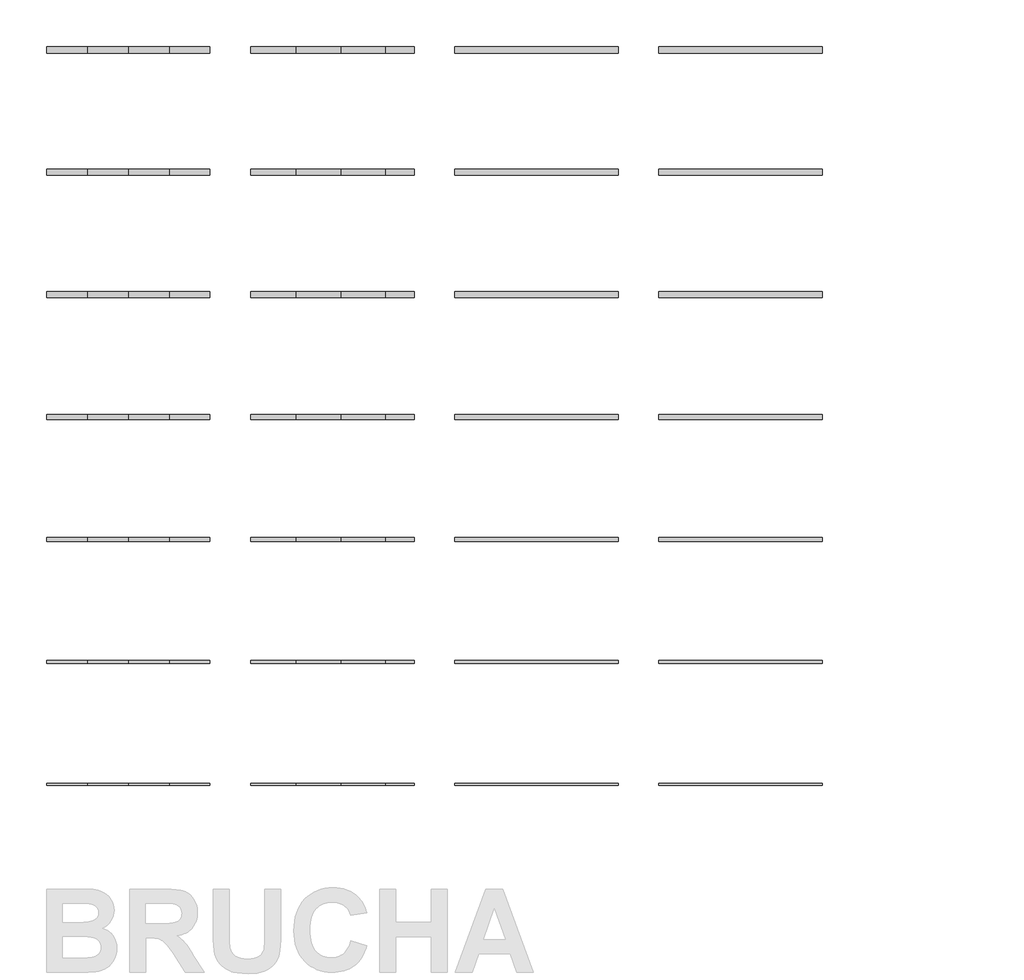
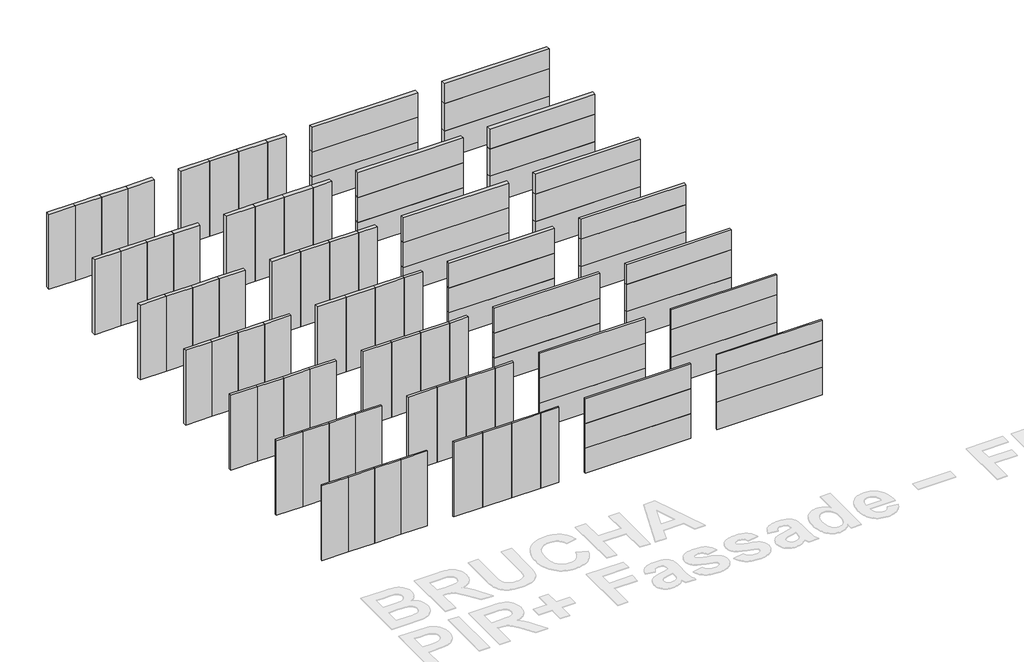
# Not in any storey, part 1 of 2: 98 plates.
"""IFC4 building model written with IfcOpenShell, lengths in millimetres."""

from ifc_helpers import new_model, si_unit, frame, origin, origin_with_axes, place, context, project, spatial, polyline, outline, extrude, element, save

model = new_model("IFC4")

# Units and contexts
model_context = context("Model", 3, world=origin())
ifc_project = project(units=[si_unit("LENGTHUNIT", "METRE", prefix="MILLI")], contexts=[model_context])

# Site, building
site = spatial("IfcSite", under=ifc_project)
building = spatial("IfcBuilding", under=site)

# Plates
placement = place(None, origin())
element("IfcPlate", 1, ObjectType="FP 100", at=placement, inside=building, context=model_context, shape_type="SweptSolid", body=[
    extrude(outline(polyline([(1000.0000003, 6000.0), (0.0, 6000.0), (0.0, 6100.0), (1000.0000003, 6100.0), (1000.0000003, 6000.0)])), origin_with_axes(), (0.0, 0.0, 1.0), 3000.0),
])
element("IfcPlate", 2, ObjectType="FP 100", at=placement, inside=building, context=model_context, shape_type="SweptSolid", body=[
    extrude(outline(polyline([(2000.0000003, 6000.0), (1000.0000003, 6000.0), (1000.0000003, 6100.0), (2000.0000003, 6100.0), (2000.0000003, 6000.0)])), origin_with_axes(), (0.0, 0.0, 1.0), 3000.0),
])
element("IfcPlate", 3, ObjectType="FP 100", at=placement, inside=building, context=model_context, shape_type="SweptSolid", body=[
    extrude(outline(polyline([(3000.0000003, 6000.0), (2000.0000003, 6000.0), (2000.0000003, 6100.0), (3000.0000003, 6100.0), (3000.0000003, 6000.0)])), origin_with_axes(), (0.0, 0.0, 1.0), 3000.0),
])
element("IfcPlate", 4, ObjectType="FP 100", at=placement, inside=building, context=model_context, shape_type="SweptSolid", body=[
    extrude(outline(polyline([(4000.0, 6000.0), (3000.0000003, 6000.0), (3000.0000003, 6100.0), (4000.0, 6100.0), (4000.0, 6000.0)])), origin_with_axes(), (0.0, 0.0, 1.0), 3000.0),
])
element("IfcPlate", 5, ObjectType="FP 100", at=placement, inside=building, context=model_context, shape_type="SweptSolid", body=[
    extrude(outline(polyline([(14000.0, 6000.0), (10000.0, 6000.0), (10000.0, 6100.0), (14000.0, 6100.0), (14000.0, 6000.0)])), origin_with_axes(), (0.0, 0.0, 1.0), 1000.0),
])
element("IfcPlate", 6, ObjectType="FP 100", at=placement, inside=building, context=model_context, shape_type="SweptSolid", body=[
    extrude(outline(polyline([(14000.0, 6000.0), (10000.0, 6000.0), (10000.0, 6100.0), (14000.0, 6100.0), (14000.0, 6000.0)])), frame((0.0, 0.0, 1000.0), z_axis=(0.0, 0.0, 1.0), x_axis=(1.0, 0.0, 0.0)), (0.0, 0.0, 1.0), 1000.0),
])
element("IfcPlate", 7, ObjectType="FP 100", at=placement, inside=building, context=model_context, shape_type="SweptSolid", body=[
    extrude(outline(polyline([(14000.0, 6000.0), (10000.0, 6000.0), (10000.0, 6100.0), (14000.0, 6100.0), (14000.0, 6000.0)])), frame((0.0, 0.0, 2000.0), z_axis=(0.0, 0.0, 1.0), x_axis=(1.0, 0.0, 0.0)), (0.0, 0.0, 1.0), 1000.0),
])
element("IfcPlate", 8, ObjectType="FP 100", at=placement, inside=building, context=model_context, shape_type="SweptSolid", body=[
    extrude(outline(polyline([(6100.0000003, 6000.0), (5000.0, 6000.0), (5000.0, 6100.0), (6100.0000003, 6100.0), (6100.0000003, 6000.0)])), origin_with_axes(), (0.0, 0.0, 1.0), 3000.0),
])
element("IfcPlate", 9, ObjectType="FP 100", at=placement, inside=building, context=model_context, shape_type="SweptSolid", body=[
    extrude(outline(polyline([(7200.0000003, 6000.0), (6100.0000003, 6000.0), (6100.0000003, 6100.0), (7200.0000003, 6100.0), (7200.0000003, 6000.0)])), origin_with_axes(), (0.0, 0.0, 1.0), 3000.0),
])
element("IfcPlate", 10, ObjectType="FP 100", at=placement, inside=building, context=model_context, shape_type="SweptSolid", body=[
    extrude(outline(polyline([(8300.0000003, 6000.0), (7200.0000003, 6000.0), (7200.0000003, 6100.0), (8300.0000003, 6100.0), (8300.0000003, 6000.0)])), origin_with_axes(), (0.0, 0.0, 1.0), 3000.0),
])
element("IfcPlate", 11, ObjectType="FP 100", at=placement, inside=building, context=model_context, shape_type="SweptSolid", body=[
    extrude(outline(polyline([(9000.0, 6000.0), (8300.0000003, 6000.0), (8300.0000003, 6100.0), (9000.0, 6100.0), (9000.0, 6000.0)])), origin_with_axes(), (0.0, 0.0, 1.0), 3000.0),
])
element("IfcPlate", 12, ObjectType="FP 100", at=placement, inside=building, context=model_context, shape_type="SweptSolid", body=[
    extrude(outline(polyline([(19000.0, 6000.0), (15000.0, 6000.0), (15000.0, 6100.0), (19000.0, 6100.0), (19000.0, 6000.0)])), origin_with_axes(), (0.0, 0.0, 1.0), 1100.0),
])
element("IfcPlate", 13, ObjectType="FP 100", at=placement, inside=building, context=model_context, shape_type="SweptSolid", body=[
    extrude(outline(polyline([(19000.0, 6000.0), (15000.0, 6000.0), (15000.0, 6100.0), (19000.0, 6100.0), (19000.0, 6000.0)])), frame((0.0, 0.0, 1100.0), z_axis=(0.0, 0.0, 1.0), x_axis=(1.0, 0.0, 0.0)), (0.0, 0.0, 1.0), 1100.0),
])
element("IfcPlate", 14, ObjectType="FP 100", at=placement, inside=building, context=model_context, shape_type="SweptSolid", body=[
    extrude(outline(polyline([(19000.0, 6000.0), (15000.0, 6000.0), (15000.0, 6100.0), (19000.0, 6100.0), (19000.0, 6000.0)])), frame((0.0, 0.0, 2200.0), z_axis=(0.0, 0.0, 1.0), x_axis=(1.0, 0.0, 0.0)), (0.0, 0.0, 1.0), 800.0),
])
element("IfcPlate", 15, ObjectType="FP 120", at=placement, inside=building, context=model_context, shape_type="SweptSolid", body=[
    extrude(outline(polyline([(1000.0000003, 8990.0), (0.0, 8990.0), (0.0, 9110.0), (1000.0000003, 9110.0), (1000.0000003, 8990.0)])), origin_with_axes(), (0.0, 0.0, 1.0), 3000.0),
])
element("IfcPlate", 16, ObjectType="FP 120", at=placement, inside=building, context=model_context, shape_type="SweptSolid", body=[
    extrude(outline(polyline([(2000.0000003, 8990.0), (1000.0000003, 8990.0), (1000.0000003, 9110.0), (2000.0000003, 9110.0), (2000.0000003, 8990.0)])), origin_with_axes(), (0.0, 0.0, 1.0), 3000.0),
])
element("IfcPlate", 17, ObjectType="FP 120", at=placement, inside=building, context=model_context, shape_type="SweptSolid", body=[
    extrude(outline(polyline([(3000.0000003, 8990.0), (2000.0000003, 8990.0), (2000.0000003, 9110.0), (3000.0000003, 9110.0), (3000.0000003, 8990.0)])), origin_with_axes(), (0.0, 0.0, 1.0), 3000.0),
])
element("IfcPlate", 18, ObjectType="FP 120", at=placement, inside=building, context=model_context, shape_type="SweptSolid", body=[
    extrude(outline(polyline([(4000.0, 8990.0), (3000.0000003, 8990.0), (3000.0000003, 9110.0), (4000.0, 9110.0), (4000.0, 8990.0)])), origin_with_axes(), (0.0, 0.0, 1.0), 3000.0),
])
element("IfcPlate", 19, ObjectType="FP 120", at=placement, inside=building, context=model_context, shape_type="SweptSolid", body=[
    extrude(outline(polyline([(6100.0000003, 8990.0), (5000.0, 8990.0), (5000.0, 9110.0), (6100.0000003, 9110.0), (6100.0000003, 8990.0)])), origin_with_axes(), (0.0, 0.0, 1.0), 3000.0),
])
element("IfcPlate", 20, ObjectType="FP 120", at=placement, inside=building, context=model_context, shape_type="SweptSolid", body=[
    extrude(outline(polyline([(7200.0000003, 8990.0), (6100.0000003, 8990.0), (6100.0000003, 9110.0), (7200.0000003, 9110.0), (7200.0000003, 8990.0)])), origin_with_axes(), (0.0, 0.0, 1.0), 3000.0),
])
element("IfcPlate", 21, ObjectType="FP 120", at=placement, inside=building, context=model_context, shape_type="SweptSolid", body=[
    extrude(outline(polyline([(8300.0000003, 8990.0), (7200.0000003, 8990.0), (7200.0000003, 9110.0), (8300.0000003, 9110.0), (8300.0000003, 8990.0)])), origin_with_axes(), (0.0, 0.0, 1.0), 3000.0),
])
element("IfcPlate", 22, ObjectType="FP 120", at=placement, inside=building, context=model_context, shape_type="SweptSolid", body=[
    extrude(outline(polyline([(9000.0, 8990.0), (8300.0000003, 8990.0), (8300.0000003, 9110.0), (9000.0, 9110.0), (9000.0, 8990.0)])), origin_with_axes(), (0.0, 0.0, 1.0), 3000.0),
])
element("IfcPlate", 23, ObjectType="FP 120", at=placement, inside=building, context=model_context, shape_type="SweptSolid", body=[
    extrude(outline(polyline([(14000.0, 8990.0), (10000.0, 8990.0), (10000.0, 9110.0), (14000.0, 9110.0), (14000.0, 8990.0)])), origin_with_axes(), (0.0, 0.0, 1.0), 1000.0),
])
element("IfcPlate", 24, ObjectType="FP 120", at=placement, inside=building, context=model_context, shape_type="SweptSolid", body=[
    extrude(outline(polyline([(14000.0, 8990.0), (10000.0, 8990.0), (10000.0, 9110.0), (14000.0, 9110.0), (14000.0, 8990.0)])), frame((0.0, 0.0, 1000.0), z_axis=(0.0, 0.0, 1.0), x_axis=(1.0, 0.0, 0.0)), (0.0, 0.0, 1.0), 1000.0),
])
element("IfcPlate", 25, ObjectType="FP 120", at=placement, inside=building, context=model_context, shape_type="SweptSolid", body=[
    extrude(outline(polyline([(14000.0, 8990.0), (10000.0, 8990.0), (10000.0, 9110.0), (14000.0, 9110.0), (14000.0, 8990.0)])), frame((0.0, 0.0, 2000.0), z_axis=(0.0, 0.0, 1.0), x_axis=(1.0, 0.0, 0.0)), (0.0, 0.0, 1.0), 1000.0),
])
element("IfcPlate", 26, ObjectType="FP 120", at=placement, inside=building, context=model_context, shape_type="SweptSolid", body=[
    extrude(outline(polyline([(19000.0, 8990.0), (15000.0, 8990.0), (15000.0, 9110.0), (19000.0, 9110.0), (19000.0, 8990.0)])), origin_with_axes(), (0.0, 0.0, 1.0), 1100.0),
])
element("IfcPlate", 27, ObjectType="FP 120", at=placement, inside=building, context=model_context, shape_type="SweptSolid", body=[
    extrude(outline(polyline([(19000.0, 8990.0), (15000.0, 8990.0), (15000.0, 9110.0), (19000.0, 9110.0), (19000.0, 8990.0)])), frame((0.0, 0.0, 1100.0), z_axis=(0.0, 0.0, 1.0), x_axis=(1.0, 0.0, 0.0)), (0.0, 0.0, 1.0), 1100.0),
])
element("IfcPlate", 28, ObjectType="FP 120", at=placement, inside=building, context=model_context, shape_type="SweptSolid", body=[
    extrude(outline(polyline([(19000.0, 8990.0), (15000.0, 8990.0), (15000.0, 9110.0), (19000.0, 9110.0), (19000.0, 8990.0)])), frame((0.0, 0.0, 2200.0), z_axis=(0.0, 0.0, 1.0), x_axis=(1.0, 0.0, 0.0)), (0.0, 0.0, 1.0), 800.0),
])
element("IfcPlate", 29, ObjectType="FP 140", at=placement, inside=building, context=model_context, shape_type="SweptSolid", body=[
    extrude(outline(polyline([(1000.0000003, 11980.0), (0.0, 11980.0), (0.0, 12120.0), (1000.0000003, 12120.0), (1000.0000003, 11980.0)])), origin_with_axes(), (0.0, 0.0, 1.0), 3000.0),
])
element("IfcPlate", 30, ObjectType="FP 140", at=placement, inside=building, context=model_context, shape_type="SweptSolid", body=[
    extrude(outline(polyline([(2000.0000003, 11980.0), (1000.0000003, 11980.0), (1000.0000003, 12120.0), (2000.0000003, 12120.0), (2000.0000003, 11980.0)])), origin_with_axes(), (0.0, 0.0, 1.0), 3000.0),
])
element("IfcPlate", 31, ObjectType="FP 140", at=placement, inside=building, context=model_context, shape_type="SweptSolid", body=[
    extrude(outline(polyline([(3000.0000003, 11980.0), (2000.0000003, 11980.0), (2000.0000003, 12120.0), (3000.0000003, 12120.0), (3000.0000003, 11980.0)])), origin_with_axes(), (0.0, 0.0, 1.0), 3000.0),
])
element("IfcPlate", 32, ObjectType="FP 140", at=placement, inside=building, context=model_context, shape_type="SweptSolid", body=[
    extrude(outline(polyline([(4000.0, 11980.0), (3000.0000003, 11980.0), (3000.0000003, 12120.0), (4000.0, 12120.0), (4000.0, 11980.0)])), origin_with_axes(), (0.0, 0.0, 1.0), 3000.0),
])
element("IfcPlate", 33, ObjectType="FP 140", at=placement, inside=building, context=model_context, shape_type="SweptSolid", body=[
    extrude(outline(polyline([(6100.0000003, 11980.0), (5000.0, 11980.0), (5000.0, 12120.0), (6100.0000003, 12120.0), (6100.0000003, 11980.0)])), origin_with_axes(), (0.0, 0.0, 1.0), 3000.0),
])
element("IfcPlate", 34, ObjectType="FP 140", at=placement, inside=building, context=model_context, shape_type="SweptSolid", body=[
    extrude(outline(polyline([(7200.0000003, 11980.0), (6100.0000003, 11980.0), (6100.0000003, 12120.0), (7200.0000003, 12120.0), (7200.0000003, 11980.0)])), origin_with_axes(), (0.0, 0.0, 1.0), 3000.0),
])
element("IfcPlate", 35, ObjectType="FP 140", at=placement, inside=building, context=model_context, shape_type="SweptSolid", body=[
    extrude(outline(polyline([(8300.0000003, 11980.0), (7200.0000003, 11980.0), (7200.0000003, 12120.0), (8300.0000003, 12120.0), (8300.0000003, 11980.0)])), origin_with_axes(), (0.0, 0.0, 1.0), 3000.0),
])
element("IfcPlate", 36, ObjectType="FP 140", at=placement, inside=building, context=model_context, shape_type="SweptSolid", body=[
    extrude(outline(polyline([(9000.0, 11980.0), (8300.0000003, 11980.0), (8300.0000003, 12120.0), (9000.0, 12120.0), (9000.0, 11980.0)])), origin_with_axes(), (0.0, 0.0, 1.0), 3000.0),
])
element("IfcPlate", 37, ObjectType="FP 140", at=placement, inside=building, context=model_context, shape_type="SweptSolid", body=[
    extrude(outline(polyline([(14000.0, 11980.0), (10000.0, 11980.0), (10000.0, 12120.0), (14000.0, 12120.0), (14000.0, 11980.0)])), origin_with_axes(), (0.0, 0.0, 1.0), 1000.0),
])
element("IfcPlate", 38, ObjectType="FP 140", at=placement, inside=building, context=model_context, shape_type="SweptSolid", body=[
    extrude(outline(polyline([(14000.0, 11980.0), (10000.0, 11980.0), (10000.0, 12120.0), (14000.0, 12120.0), (14000.0, 11980.0)])), frame((0.0, 0.0, 1000.0), z_axis=(0.0, 0.0, 1.0), x_axis=(1.0, 0.0, 0.0)), (0.0, 0.0, 1.0), 1000.0),
])
element("IfcPlate", 39, ObjectType="FP 140", at=placement, inside=building, context=model_context, shape_type="SweptSolid", body=[
    extrude(outline(polyline([(14000.0, 11980.0), (10000.0, 11980.0), (10000.0, 12120.0), (14000.0, 12120.0), (14000.0, 11980.0)])), frame((0.0, 0.0, 2000.0), z_axis=(0.0, 0.0, 1.0), x_axis=(1.0, 0.0, 0.0)), (0.0, 0.0, 1.0), 1000.0),
])
element("IfcPlate", 40, ObjectType="FP 140", at=placement, inside=building, context=model_context, shape_type="SweptSolid", body=[
    extrude(outline(polyline([(19000.0, 11980.0), (15000.0, 11980.0), (15000.0, 12120.0), (19000.0, 12120.0), (19000.0, 11980.0)])), origin_with_axes(), (0.0, 0.0, 1.0), 1100.0),
])
element("IfcPlate", 41, ObjectType="FP 140", at=placement, inside=building, context=model_context, shape_type="SweptSolid", body=[
    extrude(outline(polyline([(19000.0, 11980.0), (15000.0, 11980.0), (15000.0, 12120.0), (19000.0, 12120.0), (19000.0, 11980.0)])), frame((0.0, 0.0, 1100.0), z_axis=(0.0, 0.0, 1.0), x_axis=(1.0, 0.0, 0.0)), (0.0, 0.0, 1.0), 1100.0),
])
element("IfcPlate", 42, ObjectType="FP 140", at=placement, inside=building, context=model_context, shape_type="SweptSolid", body=[
    extrude(outline(polyline([(19000.0, 11980.0), (15000.0, 11980.0), (15000.0, 12120.0), (19000.0, 12120.0), (19000.0, 11980.0)])), frame((0.0, 0.0, 2200.0), z_axis=(0.0, 0.0, 1.0), x_axis=(1.0, 0.0, 0.0)), (0.0, 0.0, 1.0), 800.0),
])
element("IfcPlate", 43, ObjectType="FP 150", at=placement, inside=building, context=model_context, shape_type="SweptSolid", body=[
    extrude(outline(polyline([(1000.0000003, 14975.0), (0.0, 14975.0), (0.0, 15125.0), (1000.0000003, 15125.0), (1000.0000003, 14975.0)])), origin_with_axes(), (0.0, 0.0, 1.0), 3000.0),
])
element("IfcPlate", 44, ObjectType="FP 150", at=placement, inside=building, context=model_context, shape_type="SweptSolid", body=[
    extrude(outline(polyline([(2000.0000003, 14975.0), (1000.0000003, 14975.0), (1000.0000003, 15125.0), (2000.0000003, 15125.0), (2000.0000003, 14975.0)])), origin_with_axes(), (0.0, 0.0, 1.0), 3000.0),
])
element("IfcPlate", 45, ObjectType="FP 150", at=placement, inside=building, context=model_context, shape_type="SweptSolid", body=[
    extrude(outline(polyline([(3000.0000003, 14975.0), (2000.0000003, 14975.0), (2000.0000003, 15125.0), (3000.0000003, 15125.0), (3000.0000003, 14975.0)])), origin_with_axes(), (0.0, 0.0, 1.0), 3000.0),
])
element("IfcPlate", 46, ObjectType="FP 150", at=placement, inside=building, context=model_context, shape_type="SweptSolid", body=[
    extrude(outline(polyline([(4000.0, 14975.0), (3000.0000003, 14975.0), (3000.0000003, 15125.0), (4000.0, 15125.0), (4000.0, 14975.0)])), origin_with_axes(), (0.0, 0.0, 1.0), 3000.0),
])
element("IfcPlate", 47, ObjectType="FP 150", at=placement, inside=building, context=model_context, shape_type="SweptSolid", body=[
    extrude(outline(polyline([(6100.0000003, 14975.0), (5000.0, 14975.0), (5000.0, 15125.0), (6100.0000003, 15125.0), (6100.0000003, 14975.0)])), origin_with_axes(), (0.0, 0.0, 1.0), 3000.0),
])
element("IfcPlate", 48, ObjectType="FP 150", at=placement, inside=building, context=model_context, shape_type="SweptSolid", body=[
    extrude(outline(polyline([(7200.0000003, 14975.0), (6100.0000003, 14975.0), (6100.0000003, 15125.0), (7200.0000003, 15125.0), (7200.0000003, 14975.0)])), origin_with_axes(), (0.0, 0.0, 1.0), 3000.0),
])
element("IfcPlate", 49, ObjectType="FP 150", at=placement, inside=building, context=model_context, shape_type="SweptSolid", body=[
    extrude(outline(polyline([(8300.0000003, 14975.0), (7200.0000003, 14975.0), (7200.0000003, 15125.0), (8300.0000003, 15125.0), (8300.0000003, 14975.0)])), origin_with_axes(), (0.0, 0.0, 1.0), 3000.0),
])
element("IfcPlate", 50, ObjectType="FP 150", at=placement, inside=building, context=model_context, shape_type="SweptSolid", body=[
    extrude(outline(polyline([(9000.0, 14975.0), (8300.0000003, 14975.0), (8300.0000003, 15125.0), (9000.0, 15125.0), (9000.0, 14975.0)])), origin_with_axes(), (0.0, 0.0, 1.0), 3000.0),
])
element("IfcPlate", 51, ObjectType="FP 150", at=placement, inside=building, context=model_context, shape_type="SweptSolid", body=[
    extrude(outline(polyline([(14000.0, 14975.0), (10000.0, 14975.0), (10000.0, 15125.0), (14000.0, 15125.0), (14000.0, 14975.0)])), origin_with_axes(), (0.0, 0.0, 1.0), 1000.0),
])
element("IfcPlate", 52, ObjectType="FP 150", at=placement, inside=building, context=model_context, shape_type="SweptSolid", body=[
    extrude(outline(polyline([(14000.0, 14975.0), (10000.0, 14975.0), (10000.0, 15125.0), (14000.0, 15125.0), (14000.0, 14975.0)])), frame((0.0, 0.0, 1000.0), z_axis=(0.0, 0.0, 1.0), x_axis=(1.0, 0.0, 0.0)), (0.0, 0.0, 1.0), 1000.0),
])
element("IfcPlate", 53, ObjectType="FP 150", at=placement, inside=building, context=model_context, shape_type="SweptSolid", body=[
    extrude(outline(polyline([(14000.0, 14975.0), (10000.0, 14975.0), (10000.0, 15125.0), (14000.0, 15125.0), (14000.0, 14975.0)])), frame((0.0, 0.0, 2000.0), z_axis=(0.0, 0.0, 1.0), x_axis=(1.0, 0.0, 0.0)), (0.0, 0.0, 1.0), 1000.0),
])
element("IfcPlate", 54, ObjectType="FP 150", at=placement, inside=building, context=model_context, shape_type="SweptSolid", body=[
    extrude(outline(polyline([(19000.0, 14975.0), (15000.0, 14975.0), (15000.0, 15125.0), (19000.0, 15125.0), (19000.0, 14975.0)])), origin_with_axes(), (0.0, 0.0, 1.0), 1100.0),
])
element("IfcPlate", 55, ObjectType="FP 150", at=placement, inside=building, context=model_context, shape_type="SweptSolid", body=[
    extrude(outline(polyline([(19000.0, 14975.0), (15000.0, 14975.0), (15000.0, 15125.0), (19000.0, 15125.0), (19000.0, 14975.0)])), frame((0.0, 0.0, 1100.0), z_axis=(0.0, 0.0, 1.0), x_axis=(1.0, 0.0, 0.0)), (0.0, 0.0, 1.0), 1100.0),
])
element("IfcPlate", 56, ObjectType="FP 150", at=placement, inside=building, context=model_context, shape_type="SweptSolid", body=[
    extrude(outline(polyline([(19000.0, 14975.0), (15000.0, 14975.0), (15000.0, 15125.0), (19000.0, 15125.0), (19000.0, 14975.0)])), frame((0.0, 0.0, 2200.0), z_axis=(0.0, 0.0, 1.0), x_axis=(1.0, 0.0, 0.0)), (0.0, 0.0, 1.0), 800.0),
])
element("IfcPlate", 57, ObjectType="FP 160", at=placement, inside=building, context=model_context, shape_type="SweptSolid", body=[
    extrude(outline(polyline([(1000.0000003, 17970.0), (0.0, 17970.0), (0.0, 18130.0), (1000.0000003, 18130.0), (1000.0000003, 17970.0)])), origin_with_axes(), (0.0, 0.0, 1.0), 3000.0),
])
element("IfcPlate", 58, ObjectType="FP 160", at=placement, inside=building, context=model_context, shape_type="SweptSolid", body=[
    extrude(outline(polyline([(2000.0000003, 17970.0), (1000.0000003, 17970.0), (1000.0000003, 18130.0), (2000.0000003, 18130.0), (2000.0000003, 17970.0)])), origin_with_axes(), (0.0, 0.0, 1.0), 3000.0),
])
element("IfcPlate", 59, ObjectType="FP 160", at=placement, inside=building, context=model_context, shape_type="SweptSolid", body=[
    extrude(outline(polyline([(3000.0000003, 17970.0), (2000.0000003, 17970.0), (2000.0000003, 18130.0), (3000.0000003, 18130.0), (3000.0000003, 17970.0)])), origin_with_axes(), (0.0, 0.0, 1.0), 3000.0),
])
element("IfcPlate", 60, ObjectType="FP 160", at=placement, inside=building, context=model_context, shape_type="SweptSolid", body=[
    extrude(outline(polyline([(4000.0, 17970.0), (3000.0000003, 17970.0), (3000.0000003, 18130.0), (4000.0, 18130.0), (4000.0, 17970.0)])), origin_with_axes(), (0.0, 0.0, 1.0), 3000.0),
])
element("IfcPlate", 61, ObjectType="FP 160", at=placement, inside=building, context=model_context, shape_type="SweptSolid", body=[
    extrude(outline(polyline([(6100.0000003, 17970.0), (5000.0, 17970.0), (5000.0, 18130.0), (6100.0000003, 18130.0), (6100.0000003, 17970.0)])), origin_with_axes(), (0.0, 0.0, 1.0), 3000.0),
])
element("IfcPlate", 62, ObjectType="FP 160", at=placement, inside=building, context=model_context, shape_type="SweptSolid", body=[
    extrude(outline(polyline([(7200.0000003, 17970.0), (6100.0000003, 17970.0), (6100.0000003, 18130.0), (7200.0000003, 18130.0), (7200.0000003, 17970.0)])), origin_with_axes(), (0.0, 0.0, 1.0), 3000.0),
])
element("IfcPlate", 63, ObjectType="FP 160", at=placement, inside=building, context=model_context, shape_type="SweptSolid", body=[
    extrude(outline(polyline([(8300.0000003, 17970.0), (7200.0000003, 17970.0), (7200.0000003, 18130.0), (8300.0000003, 18130.0), (8300.0000003, 17970.0)])), origin_with_axes(), (0.0, 0.0, 1.0), 3000.0),
])
element("IfcPlate", 64, ObjectType="FP 160", at=placement, inside=building, context=model_context, shape_type="SweptSolid", body=[
    extrude(outline(polyline([(9000.0, 17970.0), (8300.0000003, 17970.0), (8300.0000003, 18130.0), (9000.0, 18130.0), (9000.0, 17970.0)])), origin_with_axes(), (0.0, 0.0, 1.0), 3000.0),
])
element("IfcPlate", 65, ObjectType="FP 160", at=placement, inside=building, context=model_context, shape_type="SweptSolid", body=[
    extrude(outline(polyline([(14000.0, 17970.0), (10000.0, 17970.0), (10000.0, 18130.0), (14000.0, 18130.0), (14000.0, 17970.0)])), origin_with_axes(), (0.0, 0.0, 1.0), 1000.0),
])
element("IfcPlate", 66, ObjectType="FP 160", at=placement, inside=building, context=model_context, shape_type="SweptSolid", body=[
    extrude(outline(polyline([(14000.0, 17970.0), (10000.0, 17970.0), (10000.0, 18130.0), (14000.0, 18130.0), (14000.0, 17970.0)])), frame((0.0, 0.0, 1000.0), z_axis=(0.0, 0.0, 1.0), x_axis=(1.0, 0.0, 0.0)), (0.0, 0.0, 1.0), 1000.0),
])
element("IfcPlate", 67, ObjectType="FP 160", at=placement, inside=building, context=model_context, shape_type="SweptSolid", body=[
    extrude(outline(polyline([(14000.0, 17970.0), (10000.0, 17970.0), (10000.0, 18130.0), (14000.0, 18130.0), (14000.0, 17970.0)])), frame((0.0, 0.0, 2000.0), z_axis=(0.0, 0.0, 1.0), x_axis=(1.0, 0.0, 0.0)), (0.0, 0.0, 1.0), 1000.0),
])
element("IfcPlate", 68, ObjectType="FP 160", at=placement, inside=building, context=model_context, shape_type="SweptSolid", body=[
    extrude(outline(polyline([(19000.0, 17970.0), (15000.0, 17970.0), (15000.0, 18130.0), (19000.0, 18130.0), (19000.0, 17970.0)])), origin_with_axes(), (0.0, 0.0, 1.0), 1100.0),
])
element("IfcPlate", 69, ObjectType="FP 160", at=placement, inside=building, context=model_context, shape_type="SweptSolid", body=[
    extrude(outline(polyline([(19000.0, 17970.0), (15000.0, 17970.0), (15000.0, 18130.0), (19000.0, 18130.0), (19000.0, 17970.0)])), frame((0.0, 0.0, 1100.0), z_axis=(0.0, 0.0, 1.0), x_axis=(1.0, 0.0, 0.0)), (0.0, 0.0, 1.0), 1100.0),
])
element("IfcPlate", 70, ObjectType="FP 160", at=placement, inside=building, context=model_context, shape_type="SweptSolid", body=[
    extrude(outline(polyline([(19000.0, 17970.0), (15000.0, 17970.0), (15000.0, 18130.0), (19000.0, 18130.0), (19000.0, 17970.0)])), frame((0.0, 0.0, 2200.0), z_axis=(0.0, 0.0, 1.0), x_axis=(1.0, 0.0, 0.0)), (0.0, 0.0, 1.0), 800.0),
])
element("IfcPlate", 71, ObjectType="FP 60", at=placement, inside=building, context=model_context, shape_type="SweptSolid", body=[
    extrude(outline(polyline([(1000.0000003, 20.0), (0.0, 20.0), (0.0, 80.0), (1000.0000003, 80.0), (1000.0000003, 20.0)])), origin_with_axes(), (0.0, 0.0, 1.0), 3000.0),
])
element("IfcPlate", 72, ObjectType="FP 60", at=placement, inside=building, context=model_context, shape_type="SweptSolid", body=[
    extrude(outline(polyline([(2000.0000003, 20.0), (1000.0000003, 20.0), (1000.0000003, 80.0), (2000.0000003, 80.0), (2000.0000003, 20.0)])), origin_with_axes(), (0.0, 0.0, 1.0), 3000.0),
])
element("IfcPlate", 73, ObjectType="FP 60", at=placement, inside=building, context=model_context, shape_type="SweptSolid", body=[
    extrude(outline(polyline([(3000.0000003, 20.0), (2000.0000003, 20.0), (2000.0000003, 80.0), (3000.0000003, 80.0), (3000.0000003, 20.0)])), origin_with_axes(), (0.0, 0.0, 1.0), 3000.0),
])
element("IfcPlate", 74, ObjectType="FP 60", at=placement, inside=building, context=model_context, shape_type="SweptSolid", body=[
    extrude(outline(polyline([(4000.0, 20.0), (3000.0000003, 20.0), (3000.0000003, 80.0), (4000.0, 80.0), (4000.0, 20.0)])), origin_with_axes(), (0.0, 0.0, 1.0), 3000.0),
])
element("IfcPlate", 75, ObjectType="FP 60", at=placement, inside=building, context=model_context, shape_type="SweptSolid", body=[
    extrude(outline(polyline([(6100.0000003, 20.0), (5000.0, 20.0), (5000.0, 80.0), (6100.0000003, 80.0), (6100.0000003, 20.0)])), origin_with_axes(), (0.0, 0.0, 1.0), 3000.0),
])
element("IfcPlate", 76, ObjectType="FP 60", at=placement, inside=building, context=model_context, shape_type="SweptSolid", body=[
    extrude(outline(polyline([(7200.0000003, 20.0), (6100.0000003, 20.0), (6100.0000003, 80.0), (7200.0000003, 80.0), (7200.0000003, 20.0)])), origin_with_axes(), (0.0, 0.0, 1.0), 3000.0),
])
element("IfcPlate", 77, ObjectType="FP 60", at=placement, inside=building, context=model_context, shape_type="SweptSolid", body=[
    extrude(outline(polyline([(8300.0000003, 20.0), (7200.0000003, 20.0), (7200.0000003, 80.0), (8300.0000003, 80.0), (8300.0000003, 20.0)])), origin_with_axes(), (0.0, 0.0, 1.0), 3000.0),
])
element("IfcPlate", 78, ObjectType="FP 60", at=placement, inside=building, context=model_context, shape_type="SweptSolid", body=[
    extrude(outline(polyline([(9000.0, 20.0), (8300.0000003, 20.0), (8300.0000003, 80.0), (9000.0, 80.0), (9000.0, 20.0)])), origin_with_axes(), (0.0, 0.0, 1.0), 3000.0),
])
element("IfcPlate", 79, ObjectType="FP 60", at=placement, inside=building, context=model_context, shape_type="SweptSolid", body=[
    extrude(outline(polyline([(14000.0, 20.0), (10000.0, 20.0), (10000.0, 80.0), (14000.0, 80.0), (14000.0, 20.0)])), origin_with_axes(), (0.0, 0.0, 1.0), 1000.0),
])
element("IfcPlate", 80, ObjectType="FP 60", at=placement, inside=building, context=model_context, shape_type="SweptSolid", body=[
    extrude(outline(polyline([(14000.0, 20.0), (10000.0, 20.0), (10000.0, 80.0), (14000.0, 80.0), (14000.0, 20.0)])), frame((0.0, 0.0, 1000.0), z_axis=(0.0, 0.0, 1.0), x_axis=(1.0, 0.0, 0.0)), (0.0, 0.0, 1.0), 1000.0),
])
element("IfcPlate", 81, ObjectType="FP 60", at=placement, inside=building, context=model_context, shape_type="SweptSolid", body=[
    extrude(outline(polyline([(14000.0, 20.0), (10000.0, 20.0), (10000.0, 80.0), (14000.0, 80.0), (14000.0, 20.0)])), frame((0.0, 0.0, 2000.0), z_axis=(0.0, 0.0, 1.0), x_axis=(1.0, 0.0, 0.0)), (0.0, 0.0, 1.0), 1000.0),
])
element("IfcPlate", 82, ObjectType="FP 60", at=placement, inside=building, context=model_context, shape_type="SweptSolid", body=[
    extrude(outline(polyline([(19000.0, 20.0), (15000.0, 20.0), (15000.0, 80.0), (19000.0, 80.0), (19000.0, 20.0)])), origin_with_axes(), (0.0, 0.0, 1.0), 1100.0),
])
element("IfcPlate", 83, ObjectType="FP 60", at=placement, inside=building, context=model_context, shape_type="SweptSolid", body=[
    extrude(outline(polyline([(19000.0, 20.0), (15000.0, 20.0), (15000.0, 80.0), (19000.0, 80.0), (19000.0, 20.0)])), frame((0.0, 0.0, 1100.0), z_axis=(0.0, 0.0, 1.0), x_axis=(1.0, 0.0, 0.0)), (0.0, 0.0, 1.0), 1100.0),
])
element("IfcPlate", 84, ObjectType="FP 60", at=placement, inside=building, context=model_context, shape_type="SweptSolid", body=[
    extrude(outline(polyline([(19000.0, 20.0), (15000.0, 20.0), (15000.0, 80.0), (19000.0, 80.0), (19000.0, 20.0)])), frame((0.0, 0.0, 2200.0), z_axis=(0.0, 0.0, 1.0), x_axis=(1.0, 0.0, 0.0)), (0.0, 0.0, 1.0), 800.0),
])
element("IfcPlate", 85, ObjectType="FP 80", at=placement, inside=building, context=model_context, shape_type="SweptSolid", body=[
    extrude(outline(polyline([(1000.0000003, 3010.0), (0.0, 3010.0), (0.0, 3090.0), (1000.0000003, 3090.0), (1000.0000003, 3010.0)])), origin_with_axes(), (0.0, 0.0, 1.0), 3000.0),
])
element("IfcPlate", 86, ObjectType="FP 80", at=placement, inside=building, context=model_context, shape_type="SweptSolid", body=[
    extrude(outline(polyline([(2000.0000003, 3010.0), (1000.0000003, 3010.0), (1000.0000003, 3090.0), (2000.0000003, 3090.0), (2000.0000003, 3010.0)])), origin_with_axes(), (0.0, 0.0, 1.0), 3000.0),
])
element("IfcPlate", 87, ObjectType="FP 80", at=placement, inside=building, context=model_context, shape_type="SweptSolid", body=[
    extrude(outline(polyline([(3000.0000003, 3010.0), (2000.0000003, 3010.0), (2000.0000003, 3090.0), (3000.0000003, 3090.0), (3000.0000003, 3010.0)])), origin_with_axes(), (0.0, 0.0, 1.0), 3000.0),
])
element("IfcPlate", 88, ObjectType="FP 80", at=placement, inside=building, context=model_context, shape_type="SweptSolid", body=[
    extrude(outline(polyline([(4000.0, 3010.0), (3000.0000003, 3010.0), (3000.0000003, 3090.0), (4000.0, 3090.0), (4000.0, 3010.0)])), origin_with_axes(), (0.0, 0.0, 1.0), 3000.0),
])
element("IfcPlate", 89, ObjectType="FP 80", at=placement, inside=building, context=model_context, shape_type="SweptSolid", body=[
    extrude(outline(polyline([(6100.0000003, 3010.0), (5000.0, 3010.0), (5000.0, 3090.0), (6100.0000003, 3090.0), (6100.0000003, 3010.0)])), origin_with_axes(), (0.0, 0.0, 1.0), 3000.0),
])
element("IfcPlate", 90, ObjectType="FP 80", at=placement, inside=building, context=model_context, shape_type="SweptSolid", body=[
    extrude(outline(polyline([(7200.0000003, 3010.0), (6100.0000003, 3010.0), (6100.0000003, 3090.0), (7200.0000003, 3090.0), (7200.0000003, 3010.0)])), origin_with_axes(), (0.0, 0.0, 1.0), 3000.0),
])
element("IfcPlate", 91, ObjectType="FP 80", at=placement, inside=building, context=model_context, shape_type="SweptSolid", body=[
    extrude(outline(polyline([(8300.0000003, 3010.0), (7200.0000003, 3010.0), (7200.0000003, 3090.0), (8300.0000003, 3090.0), (8300.0000003, 3010.0)])), origin_with_axes(), (0.0, 0.0, 1.0), 3000.0),
])
element("IfcPlate", 92, ObjectType="FP 80", at=placement, inside=building, context=model_context, shape_type="SweptSolid", body=[
    extrude(outline(polyline([(9000.0, 3010.0), (8300.0000003, 3010.0), (8300.0000003, 3090.0), (9000.0, 3090.0), (9000.0, 3010.0)])), origin_with_axes(), (0.0, 0.0, 1.0), 3000.0),
])
element("IfcPlate", 93, ObjectType="FP 80", at=placement, inside=building, context=model_context, shape_type="SweptSolid", body=[
    extrude(outline(polyline([(14000.0, 3010.0), (10000.0, 3010.0), (10000.0, 3090.0), (14000.0, 3090.0), (14000.0, 3010.0)])), origin_with_axes(), (0.0, 0.0, 1.0), 1000.0),
])
element("IfcPlate", 94, ObjectType="FP 80", at=placement, inside=building, context=model_context, shape_type="SweptSolid", body=[
    extrude(outline(polyline([(14000.0, 3010.0), (10000.0, 3010.0), (10000.0, 3090.0), (14000.0, 3090.0), (14000.0, 3010.0)])), frame((0.0, 0.0, 1000.0), z_axis=(0.0, 0.0, 1.0), x_axis=(1.0, 0.0, 0.0)), (0.0, 0.0, 1.0), 1000.0),
])
element("IfcPlate", 95, ObjectType="FP 80", at=placement, inside=building, context=model_context, shape_type="SweptSolid", body=[
    extrude(outline(polyline([(14000.0, 3010.0), (10000.0, 3010.0), (10000.0, 3090.0), (14000.0, 3090.0), (14000.0, 3010.0)])), frame((0.0, 0.0, 2000.0), z_axis=(0.0, 0.0, 1.0), x_axis=(1.0, 0.0, 0.0)), (0.0, 0.0, 1.0), 1000.0),
])
element("IfcPlate", 96, ObjectType="FP 80", at=placement, inside=building, context=model_context, shape_type="SweptSolid", body=[
    extrude(outline(polyline([(19000.0, 3010.0), (15000.0, 3010.0), (15000.0, 3090.0), (19000.0, 3090.0), (19000.0, 3010.0)])), origin_with_axes(), (0.0, 0.0, 1.0), 1100.0),
])
element("IfcPlate", 97, ObjectType="FP 80", at=placement, inside=building, context=model_context, shape_type="SweptSolid", body=[
    extrude(outline(polyline([(19000.0, 3010.0), (15000.0, 3010.0), (15000.0, 3090.0), (19000.0, 3090.0), (19000.0, 3010.0)])), frame((0.0, 0.0, 1100.0), z_axis=(0.0, 0.0, 1.0), x_axis=(1.0, 0.0, 0.0)), (0.0, 0.0, 1.0), 1100.0),
])
element("IfcPlate", 98, ObjectType="FP 80", at=placement, inside=building, context=model_context, shape_type="SweptSolid", body=[
    extrude(outline(polyline([(19000.0, 3010.0), (15000.0, 3010.0), (15000.0, 3090.0), (19000.0, 3090.0), (19000.0, 3010.0)])), frame((0.0, 0.0, 2200.0), z_axis=(0.0, 0.0, 1.0), x_axis=(1.0, 0.0, 0.0)), (0.0, 0.0, 1.0), 800.0),
])

save(model, "model.ifc")
